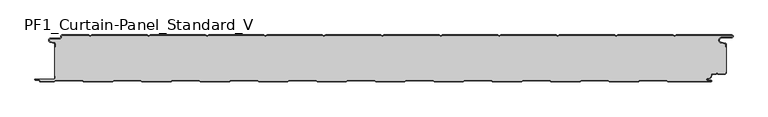
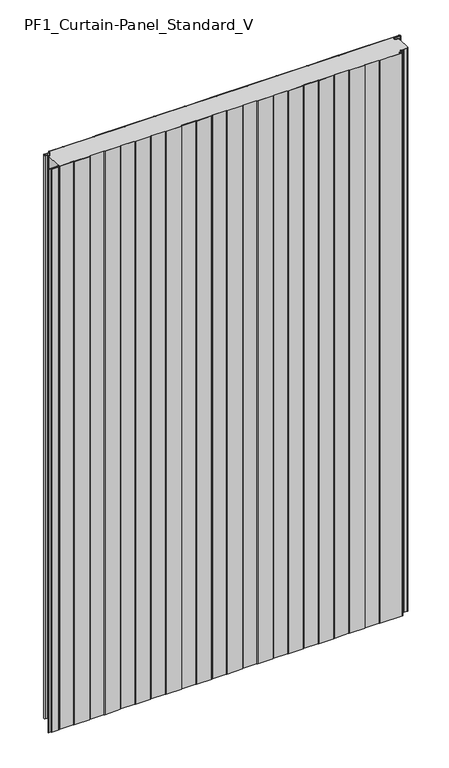
"""IFC4 building model written with IfcOpenShell, lengths in millimetres: plate geometry, PF1_Curtain-Panel_Standard_V."""

from ifc_helpers import new_model, si_unit, point, frame_2d, origin, origin_with_axes, place, context, project, spatial, polyline, circle_curve, trimmed, segment, composite_curve, outline, extrude, source, transform, mapped, element, save


def pf1_curtain_panel_standard_v_ebb4e645(model_context):
    return source(origin(), model_context, "Body", "SweptSolid", [
        extrude(outline(composite_curve([segment(trimmed(circle_curve(frame_2d((-577.0, -15.878557)), 2.0), [point((-575.0, -15.878557))], [point((-576.5500978, -13.9298169))], True, "CARTESIAN"), True, "CONTINUOUS"), segment(polyline([(-576.5500978, -13.9298169), (-582.7098239, -12.507732)]), True, "CONTINUOUS"), segment(trimmed(circle_curve(frame_2d((-581.9, -9.0)), 3.6), [point((-582.7098239, -12.507732))], [point((-581.9, -5.4))], False, "CARTESIAN"), True, "CONTINUOUS"), segment(polyline([(-581.9, -5.4), (-566.4, -5.4)]), True, "CONTINUOUS"), segment(trimmed(circle_curve(frame_2d((-566.4, -3.4)), 2.0), [point((-566.4, -5.4))], [point((-564.4, -3.4))], True, "CARTESIAN"), True, "CONTINUOUS"), segment(polyline([(-564.4, -3.4), (-564.4, -2.0)]), True, "CONTINUOUS"), segment(trimmed(circle_curve(frame_2d((-562.4, -2.0)), 2.0), [point((-564.4, -2.0))], [point((-562.4, 0.0))], False, "CARTESIAN"), True, "CONTINUOUS"), segment(polyline([(-562.4, 0.0), (-517.0999995, 0.0), (-514.4, -1.5588455), (-511.7000005, 0.0), (-417.0999995, 0.0), (-414.4, -1.5588455), (-411.7000005, 0.0), (-317.0999995, 0.0), (-314.4, -1.5588455), (-311.7000005, 0.0), (-217.0999995, 0.0), (-214.4, -1.5588455), (-211.7000005, 0.0), (-117.0999995, 0.0), (-114.4, -1.5588455), (-111.7000005, 0.0), (-17.0999995, 0.0), (-14.4, -1.5588455), (-11.7000005, 0.0), (82.9000005, 0.0), (85.6, -1.5588455), (88.2999995, 0.0), (182.9000005, 0.0), (185.6, -1.5588455), (188.2999995, 0.0), (282.9000005, 0.0), (285.6, -1.5588455), (288.2999995, 0.0), (382.9000005, 0.0), (385.6, -1.5588455), (388.2999995, 0.0), (482.9000005, 0.0), (485.6, -1.5588455), (488.2999995, 0.0), (583.268846, 0.0)]), True, "CONTINUOUS"), segment(trimmed(circle_curve(frame_2d((583.268846, -2.5)), 2.5), [point((583.268846, 0.0))], [point((583.268846, -5.0))], False, "CARTESIAN"), True, "CONTINUOUS"), segment(polyline([(583.268846, -5.0), (566.268846, -5.0)]), True, "CONTINUOUS"), segment(trimmed(circle_curve(frame_2d((566.268846, -9.0)), 4.0), [point((566.268846, -5.0))], [point((565.574253, -12.939231))], True, "CARTESIAN"), True, "CONTINUOUS"), segment(polyline([(565.574253, -12.939231), (572.0203315, -14.0758491)]), True, "CONTINUOUS"), segment(trimmed(circle_curve(frame_2d((571.568846, -16.6363492)), 2.6), [point((572.0203315, -14.0758491))], [point((574.168846, -16.6363492))], False, "CARTESIAN"), True, "CONTINUOUS"), segment(polyline([(574.168846, -16.6363492), (574.168846, -20.0), (573.368846, -20.0), (573.368846, -16.6363492)]), True, "CONTINUOUS"), segment(trimmed(circle_curve(frame_2d((571.568846, -16.6363492)), 1.8), [point((573.368846, -16.6363492))], [point((571.8814129, -14.8636953))], True, "CARTESIAN"), True, "CONTINUOUS"), segment(polyline([(571.8814129, -14.8636953), (565.4353344, -13.7270772)]), True, "CONTINUOUS"), segment(trimmed(circle_curve(frame_2d((566.268846, -9.0)), 4.8), [point((565.4353344, -13.7270772))], [point((566.268846, -4.2))], False, "CARTESIAN"), True, "CONTINUOUS"), segment(polyline([(566.268846, -4.2), (583.268846, -4.2)]), True, "CONTINUOUS"), segment(trimmed(circle_curve(frame_2d((583.268846, -2.5)), 1.7), [point((583.268846, -4.2))], [point((583.268846, -0.8))], True, "CARTESIAN"), True, "CONTINUOUS"), segment(polyline([(583.268846, -0.8), (488.5143588, -0.8), (485.6, -2.482606), (482.6856412, -0.8), (388.5143588, -0.8), (385.6, -2.482606), (382.6856412, -0.8), (288.5143588, -0.8), (285.6, -2.482606), (282.6856412, -0.8), (188.5143588, -0.8), (185.6, -2.482606), (182.6856412, -0.8), (88.5143588, -0.8), (85.6, -2.482606), (82.6856412, -0.8), (-11.4856412, -0.8), (-14.4, -2.482606), (-17.3143588, -0.8), (-111.4856412, -0.8), (-114.4, -2.482606), (-117.3143588, -0.8), (-211.4856412, -0.8), (-214.4, -2.482606), (-217.3143588, -0.8), (-311.4856412, -0.8), (-314.4, -2.482606), (-317.3143588, -0.8), (-411.4856412, -0.8), (-414.4, -2.482606), (-417.3143588, -0.8), (-511.4856412, -0.8), (-514.4, -2.482606), (-517.3143588, -0.8), (-562.4, -0.8)]), True, "CONTINUOUS"), segment(trimmed(circle_curve(frame_2d((-562.4, -2.0)), 1.2), [point((-562.4, -0.8))], [point((-563.6, -2.0))], True, "CARTESIAN"), True, "CONTINUOUS"), segment(polyline([(-563.6, -2.0), (-563.6, -3.4)]), True, "CONTINUOUS"), segment(trimmed(circle_curve(frame_2d((-566.4, -3.4)), 2.8), [point((-563.6, -3.4))], [point((-566.4, -6.2))], False, "CARTESIAN"), True, "CONTINUOUS"), segment(polyline([(-566.4, -6.2), (-581.9, -6.2)]), True, "CONTINUOUS"), segment(trimmed(circle_curve(frame_2d((-581.9, -9.0)), 2.8), [point((-581.9, -6.2))], [point((-582.529863, -11.7282362))], True, "CARTESIAN"), True, "CONTINUOUS"), segment(polyline([(-582.529863, -11.7282362), (-576.370137, -13.150321)]), True, "CONTINUOUS"), segment(trimmed(circle_curve(frame_2d((-577.0, -15.878557)), 2.8), [point((-576.370137, -13.150321))], [point((-574.2, -15.878557))], False, "CARTESIAN"), True, "CONTINUOUS"), segment(polyline([(-574.2, -15.878557), (-574.2, -20.0), (-575.0, -20.0), (-575.0, -15.878557)]), True, "CONTINUOUS")], self_intersect=False)), origin_with_axes(), (0.0, 0.0, 1.0), 1945.7507136),
        extrude(outline(composite_curve([segment(polyline([(-574.2, -70.0), (-575.0, -70.0), (-575.0, -20.0), (-574.2, -20.0), (-574.2, -15.878557)]), True, "CONTINUOUS"), segment(trimmed(circle_curve(frame_2d((-577.0, -15.878557)), 2.8), [point((-574.2, -15.878557))], [point((-576.370137, -13.1503208))], True, "CARTESIAN"), True, "CONTINUOUS"), segment(polyline([(-576.370137, -13.1503208), (-582.529863, -11.7282362)]), True, "CONTINUOUS"), segment(trimmed(circle_curve(frame_2d((-581.9, -9.0)), 2.8), [point((-582.529863, -11.7282362))], [point((-581.9, -6.2))], False, "CARTESIAN"), True, "CONTINUOUS"), segment(polyline([(-581.9, -6.2), (-566.4, -6.2)]), True, "CONTINUOUS"), segment(trimmed(circle_curve(frame_2d((-566.4, -3.4)), 2.8), [point((-566.4, -6.2))], [point((-563.6, -3.4))], True, "CARTESIAN"), True, "CONTINUOUS"), segment(polyline([(-563.6, -3.4), (-563.6, -2.0)]), True, "CONTINUOUS"), segment(trimmed(circle_curve(frame_2d((-562.4, -2.0)), 1.2), [point((-563.6, -2.0))], [point((-562.4, -0.8))], False, "CARTESIAN"), True, "CONTINUOUS"), segment(polyline([(-562.4, -0.8), (-517.3143588, -0.8), (-514.4, -2.482606), (-511.4856412, -0.8), (-417.3143588, -0.8), (-414.4, -2.482606), (-411.4856412, -0.8), (-317.3143588, -0.8), (-314.4, -2.482606), (-311.4856412, -0.8), (-217.3143588, -0.8), (-214.4, -2.482606), (-211.4856412, -0.8), (-117.3143588, -0.8), (-114.4, -2.482606), (-111.4856412, -0.8), (-17.3143588, -0.8), (-14.4, -2.482606), (-11.4856412, -0.8), (82.6856412, -0.8), (85.6, -2.482606), (88.5143588, -0.8), (182.6856412, -0.8), (185.6, -2.482606), (188.5143588, -0.8), (282.6856412, -0.8), (285.6, -2.482606), (288.5143588, -0.8), (382.6856412, -0.8), (385.6, -2.482606), (388.5143588, -0.8), (482.6856412, -0.8), (485.6, -2.482606), (488.5143588, -0.8), (583.268846, -0.8)]), True, "CONTINUOUS"), segment(trimmed(circle_curve(frame_2d((583.268846, -2.5)), 1.7), [point((583.268846, -0.8))], [point((583.268846, -4.2))], False, "CARTESIAN"), True, "CONTINUOUS"), segment(polyline([(583.268846, -4.2), (566.268846, -4.2)]), True, "CONTINUOUS"), segment(trimmed(circle_curve(frame_2d((566.268846, -9.0)), 4.8), [point((566.268846, -4.2))], [point((565.4353344, -13.7270772))], True, "CARTESIAN"), True, "CONTINUOUS"), segment(polyline([(565.4353344, -13.7270772), (571.8814129, -14.8636953)]), True, "CONTINUOUS"), segment(trimmed(circle_curve(frame_2d((571.568846, -16.6363492)), 1.8), [point((571.8814129, -14.8636953))], [point((573.368846, -16.6363492))], False, "CARTESIAN"), True, "CONTINUOUS"), segment(polyline([(573.368846, -16.6363492), (573.368846, -20.0), (574.168846, -20.0), (574.168846, -63.0), (573.368846, -63.0), (573.368846, -64.4)]), True, "CONTINUOUS"), segment(trimmed(circle_curve(frame_2d((571.568846, -64.4)), 1.8), [point((573.368846, -64.4))], [point((571.568846, -66.2))], False, "CARTESIAN"), True, "CONTINUOUS"), segment(polyline([(571.568846, -66.2), (560.0002158, -66.2), (558.168846, -64.3686285), (556.3374762, -66.2), (550.168846, -66.2)]), True, "CONTINUOUS"), segment(trimmed(circle_curve(frame_2d((550.168846, -68.0)), 1.8), [point((550.168846, -66.2))], [point((548.368846, -68.0))], True, "CARTESIAN"), True, "CONTINUOUS"), segment(polyline([(548.368846, -68.0), (548.368846, -68.8276204)]), True, "CONTINUOUS"), segment(trimmed(circle_curve(frame_2d((542.9964664, -68.8276204)), 5.3723796), [point((548.368846, -68.8276204))], [point((542.9964664, -74.2))], False, "CARTESIAN"), True, "CONTINUOUS"), segment(polyline([(542.9964664, -74.2), (542.168846, -74.2)]), True, "CONTINUOUS"), segment(trimmed(circle_curve(frame_2d((542.168846, -76.4)), 2.2), [point((542.168846, -74.2))], [point((542.168846, -78.6))], True, "CARTESIAN"), True, "CONTINUOUS"), segment(polyline([(542.168846, -78.6), (548.0579973, -78.6)]), True, "CONTINUOUS"), segment(trimmed(circle_curve(frame_2d((548.0579973, -78.9)), 0.3), [point((548.0579973, -78.6))], [point((548.0579973, -79.2))], False, "CARTESIAN"), True, "CONTINUOUS"), segment(polyline([(548.0579973, -79.2), (474.2152562, -79.2), (471.6171786, -77.7), (426.3884624, -77.7), (423.7903848, -79.2), (374.2152562, -79.2), (371.6171786, -77.7), (326.3884624, -77.7), (323.7903848, -79.2), (274.2152562, -79.2), (271.6171786, -77.7), (226.3884624, -77.7), (223.7903848, -79.2), (174.2152562, -79.2), (171.6171786, -77.7), (126.3884624, -77.7), (123.7903848, -79.2), (74.2152562, -79.2), (71.6171786, -77.7), (26.3884624, -77.7), (23.7903848, -79.2), (-25.7847438, -79.2), (-28.3828214, -77.7), (-73.6115376, -77.7), (-76.2096152, -79.2), (-125.7847438, -79.2), (-128.3828214, -77.7), (-173.6115376, -77.7), (-176.2096152, -79.2), (-225.7847438, -79.2), (-228.3828214, -77.7), (-273.6115376, -77.7), (-276.2096152, -79.2), (-325.7847438, -79.2), (-328.3828214, -77.7), (-373.6115376, -77.7), (-376.2096152, -79.2), (-425.7847438, -79.2), (-428.3828214, -77.7), (-473.6115376, -77.7), (-476.2096152, -79.2), (-525.7847438, -79.2), (-528.3828214, -77.7), (-573.6115376, -77.7), (-576.2096152, -79.2), (-599.4, -79.2)]), True, "CONTINUOUS"), segment(trimmed(circle_curve(frame_2d((-599.4, -78.4)), 0.8), [point((-599.4, -79.2))], [point((-600.2, -78.4))], False, "CARTESIAN"), True, "CONTINUOUS"), segment(trimmed(circle_curve(frame_2d((-601.9, -78.6133333)), 1.7133333), [point((-600.2, -78.4))], [point((-601.9, -76.9))], True, "CARTESIAN"), True, "CONTINUOUS"), segment(polyline([(-601.9, -76.9), (-607.8700312, -76.9)]), True, "CONTINUOUS"), segment(trimmed(circle_curve(frame_2d((-607.8700312, -76.6)), 0.3), [point((-607.8700312, -76.9))], [point((-607.8700312, -76.3))], False, "CARTESIAN"), True, "CONTINUOUS"), segment(polyline([(-607.8700312, -76.3), (-577.0, -76.3)]), True, "CONTINUOUS"), segment(trimmed(circle_curve(frame_2d((-577.0, -73.5)), 2.8), [point((-577.0, -76.3))], [point((-574.2, -73.5))], True, "CARTESIAN"), True, "CONTINUOUS"), segment(polyline([(-574.2, -73.5), (-574.2, -70.0)]), True, "CONTINUOUS")], self_intersect=False)), origin_with_axes(), (0.0, 0.0, 1.0), 1945.7507136),
        extrude(outline(composite_curve([segment(polyline([(-575.0, -70.0), (-574.2, -70.0), (-574.2, -73.5)]), True, "CONTINUOUS"), segment(trimmed(circle_curve(frame_2d((-577.0, -73.5)), 2.8), [point((-574.2, -73.5))], [point((-577.0, -76.3))], False, "CARTESIAN"), True, "CONTINUOUS"), segment(polyline([(-577.0, -76.3), (-607.8700312, -76.3)]), True, "CONTINUOUS"), segment(trimmed(circle_curve(frame_2d((-607.8700312, -76.6)), 0.3), [point((-607.8700312, -76.3))], [point((-607.8700312, -76.9))], True, "CARTESIAN"), True, "CONTINUOUS"), segment(polyline([(-607.8700312, -76.9), (-601.9, -76.9)]), True, "CONTINUOUS"), segment(trimmed(circle_curve(frame_2d((-601.9, -78.6133333)), 1.7133333), [point((-601.9, -76.9))], [point((-600.2, -78.4))], False, "CARTESIAN"), True, "CONTINUOUS"), segment(trimmed(circle_curve(frame_2d((-599.4, -78.4)), 0.8), [point((-600.2, -78.4))], [point((-599.4, -79.2))], True, "CARTESIAN"), True, "CONTINUOUS"), segment(polyline([(-599.4, -79.2), (-576.2096152, -79.2), (-573.6115376, -77.7), (-528.3828214, -77.7), (-525.7847438, -79.2), (-476.2096152, -79.2), (-473.6115376, -77.7), (-428.3828214, -77.7), (-425.7847438, -79.2), (-376.2096152, -79.2), (-373.6115376, -77.7), (-328.3828214, -77.7), (-325.7847438, -79.2), (-276.2096152, -79.2), (-273.6115376, -77.7), (-228.3828214, -77.7), (-225.7847438, -79.2), (-176.2096152, -79.2), (-173.6115376, -77.7), (-128.3828214, -77.7), (-125.7847438, -79.2), (-76.2096152, -79.2), (-73.6115376, -77.7), (-28.3828214, -77.7), (-25.7847438, -79.2), (23.7903848, -79.2), (26.3884624, -77.7), (71.6171786, -77.7), (74.2152562, -79.2), (123.7903848, -79.2), (126.3884624, -77.7), (171.6171786, -77.7), (174.2152562, -79.2), (223.7903848, -79.2), (226.3884624, -77.7), (271.6171786, -77.7), (274.2152562, -79.2), (323.7903848, -79.2), (326.3884624, -77.7), (371.6171786, -77.7), (374.2152562, -79.2), (423.7903848, -79.2), (426.3884624, -77.7), (471.6171786, -77.7), (474.2152562, -79.2), (548.0579973, -79.2)]), True, "CONTINUOUS"), segment(trimmed(circle_curve(frame_2d((548.0579973, -78.9)), 0.3), [point((548.0579973, -79.2))], [point((548.0579973, -78.6))], True, "CARTESIAN"), True, "CONTINUOUS"), segment(polyline([(548.0579973, -78.6), (542.168846, -78.6)]), True, "CONTINUOUS"), segment(trimmed(circle_curve(frame_2d((542.168846, -76.4)), 2.2), [point((542.168846, -78.6))], [point((542.168846, -74.2))], False, "CARTESIAN"), True, "CONTINUOUS"), segment(polyline([(542.168846, -74.2), (542.9964664, -74.2)]), True, "CONTINUOUS"), segment(trimmed(circle_curve(frame_2d((542.9964664, -68.8276204)), 5.3723796), [point((542.9964664, -74.2))], [point((548.368846, -68.8276204))], True, "CARTESIAN"), True, "CONTINUOUS"), segment(polyline([(548.368846, -68.8276204), (548.368846, -68.0)]), True, "CONTINUOUS"), segment(trimmed(circle_curve(frame_2d((550.168846, -68.0)), 1.8), [point((548.368846, -68.0))], [point((550.168846, -66.2))], False, "CARTESIAN"), True, "CONTINUOUS"), segment(polyline([(550.168846, -66.2), (556.3374762, -66.2), (558.168846, -64.3686285), (560.0002158, -66.2), (571.568846, -66.2)]), True, "CONTINUOUS"), segment(trimmed(circle_curve(frame_2d((571.568846, -64.4)), 1.8), [point((571.568846, -66.2))], [point((573.368846, -64.4))], True, "CARTESIAN"), True, "CONTINUOUS"), segment(polyline([(573.368846, -64.4), (573.368846, -63.0), (574.168846, -63.0), (574.168846, -64.4)]), True, "CONTINUOUS"), segment(trimmed(circle_curve(frame_2d((571.568846, -64.4)), 2.6), [point((574.168846, -64.4))], [point((571.568846, -67.0))], False, "CARTESIAN"), True, "CONTINUOUS"), segment(polyline([(571.568846, -67.0), (559.6688448, -67.0), (558.168846, -65.4999999), (556.6688472, -67.0), (550.168846, -67.0)]), True, "CONTINUOUS"), segment(trimmed(circle_curve(frame_2d((550.168846, -68.0)), 1.0), [point((550.168846, -67.0))], [point((549.168846, -68.0))], True, "CARTESIAN"), True, "CONTINUOUS"), segment(polyline([(549.168846, -68.0), (549.168846, -68.8276204)]), True, "CONTINUOUS"), segment(trimmed(circle_curve(frame_2d((542.9964664, -68.8276204)), 6.1723796), [point((549.168846, -68.8276204))], [point((542.9964664, -75.0))], False, "CARTESIAN"), True, "CONTINUOUS"), segment(polyline([(542.9964664, -75.0), (542.168846, -75.0)]), True, "CONTINUOUS"), segment(trimmed(circle_curve(frame_2d((542.168846, -76.5)), 1.5), [point((542.168846, -75.0))], [point((542.168846, -78.0))], True, "CARTESIAN"), True, "CONTINUOUS"), segment(polyline([(542.168846, -78.0), (548.168846, -78.0)]), True, "CONTINUOUS"), segment(trimmed(circle_curve(frame_2d((548.168846, -79.0)), 1.0), [point((548.168846, -78.0))], [point((548.168846, -80.0))], False, "CARTESIAN"), True, "CONTINUOUS"), segment(polyline([(548.168846, -80.0), (474.0008969, -80.0), (471.4028193, -78.5), (426.6028217, -78.5), (424.0047441, -80.0), (374.0008969, -80.0), (371.4028193, -78.5), (326.6028217, -78.5), (324.0047441, -80.0), (274.0008969, -80.0), (271.4028193, -78.5), (226.6028217, -78.5), (224.0047441, -80.0), (174.0008969, -80.0), (171.4028193, -78.5), (126.6028217, -78.5), (124.0047441, -80.0), (74.0008969, -80.0), (71.4028193, -78.5), (26.6028217, -78.5), (24.0047441, -80.0), (-25.9991031, -80.0), (-28.5971807, -78.5), (-73.3971783, -78.5), (-75.9952559, -80.0), (-125.9991031, -80.0), (-128.5971807, -78.5), (-173.3971783, -78.5), (-175.9952559, -80.0), (-225.9991031, -80.0), (-228.5971807, -78.5), (-273.3971783, -78.5), (-275.9952559, -80.0), (-325.9991031, -80.0), (-328.5971807, -78.5), (-373.3971783, -78.5), (-375.9952559, -80.0), (-425.9991031, -80.0), (-428.5971807, -78.5), (-473.3971783, -78.5), (-475.9952559, -80.0), (-525.9991031, -80.0), (-528.5971807, -78.5), (-573.3971783, -78.5), (-575.9952559, -80.0), (-599.4, -80.0)]), True, "CONTINUOUS"), segment(trimmed(circle_curve(frame_2d((-599.4, -78.4)), 1.6), [point((-599.4, -80.0))], [point((-601.0, -78.4))], False, "CARTESIAN"), True, "CONTINUOUS"), segment(trimmed(circle_curve(frame_2d((-601.9, -78.4)), 0.9), [point((-601.0, -78.4))], [point((-601.9, -77.5))], True, "CARTESIAN"), True, "CONTINUOUS"), segment(polyline([(-601.9, -77.5), (-608.0, -77.5)]), True, "CONTINUOUS"), segment(trimmed(circle_curve(frame_2d((-608.0, -76.5)), 1.0), [point((-608.0, -77.5))], [point((-608.0, -75.5))], False, "CARTESIAN"), True, "CONTINUOUS"), segment(polyline([(-608.0, -75.5), (-577.0, -75.5)]), True, "CONTINUOUS"), segment(trimmed(circle_curve(frame_2d((-577.0, -73.5)), 2.0), [point((-577.0, -75.5))], [point((-575.0, -73.5))], True, "CARTESIAN"), True, "CONTINUOUS"), segment(polyline([(-575.0, -73.5), (-575.0, -70.0)]), True, "CONTINUOUS")], self_intersect=False)), origin_with_axes(), (0.0, 0.0, 1.0), 1945.7507136),
    ])


if __name__ == "__main__":
    model = new_model("IFC4")
    model_context = context("Model", 3, world=origin())
    ifc_project = project(units=[si_unit("LENGTHUNIT", "METRE", prefix="MILLI")], contexts=[model_context])
    site = spatial("IfcSite", under=ifc_project)
    building = spatial("IfcBuilding", under=site)
    placement = place(None, origin())
    pf1_curtain_panel_standard_v_shape = pf1_curtain_panel_standard_v_ebb4e645(model_context)
    element("IfcPlate", 1, ObjectType="PF1_Curtain-Panel_Standard_V", at=placement, inside=building, context=model_context, shape_type="MappedRepresentation", body=[
        mapped(pf1_curtain_panel_standard_v_shape, transform((0.0, 0.0, 0.0), x_axis=(1.0, 0.0, 0.0), y_axis=(0.0, 1.0, 0.0), z_axis=(0.0, 0.0, 1.0))),
    ])
    save(model, "model.ifc")
